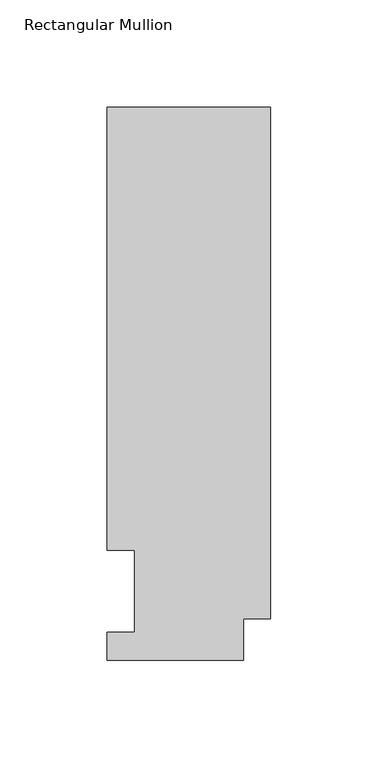
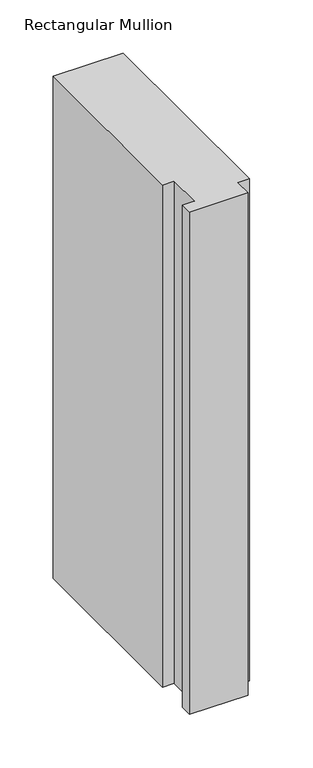
"""IFC4 building model written with IfcOpenShell, lengths in millimetres: member geometry, Rectangular Mullion."""

from ifc_helpers import new_model, si_unit, frame, origin, place, context, project, spatial, polyline, outline, extrude, source, transform, mapped, element, save


def rectangular_mullion_139284f4(model_context):
    return source(origin(), model_context, "Body", "SweptSolid", [
        extrude(outline(polyline([(0.0, 295.9695312), (0.0, 57.8445312), (-12.7000001, 57.8445312), (-12.7000001, 38.3119312), (-76.2000001, 38.3119312), (-76.2000001, 51.4945312), (-63.5127001, 51.4945312), (-63.5127001, 89.5945313), (-76.2000001, 89.5945312), (-76.2000001, 295.9695312), (0.0, 295.9695312)])), frame((0.0, 0.0, -577.85), z_axis=(0.0, 0.0, 1.0), x_axis=(1.0, 0.0, 0.0)), (0.0, 0.0, 1.0), 577.85),
    ])


if __name__ == "__main__":
    model = new_model("IFC4")
    model_context = context("Model", 3, world=origin())
    ifc_project = project(units=[si_unit("LENGTHUNIT", "METRE", prefix="MILLI")], contexts=[model_context])
    site = spatial("IfcSite", under=ifc_project)
    building = spatial("IfcBuilding", under=site)
    placement = place(None, origin())
    rectangular_mullion_shape = rectangular_mullion_139284f4(model_context)
    element("IfcMember", 1, ObjectType="Rectangular Mullion", at=placement, inside=building, context=model_context, shape_type="MappedRepresentation", body=[
        mapped(rectangular_mullion_shape, transform((0.0, 0.0, 0.0), x_axis=(1.0, 0.0, 0.0), y_axis=(0.0, 1.0, 0.0), z_axis=(0.0, 0.0, 1.0))),
    ])
    save(model, "model.ifc")
